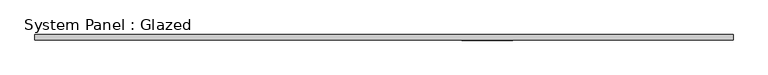
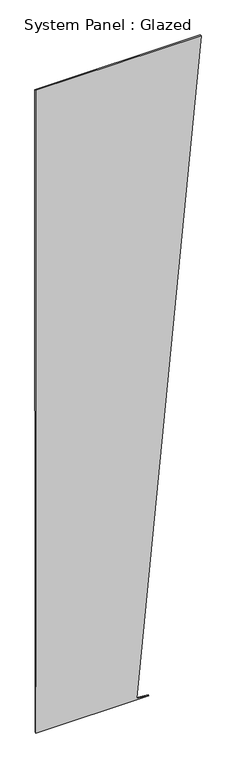
"""IFC4 building model written with IfcOpenShell, lengths in millimetres: plate geometry, System Panel : Glazed."""

from ifc_helpers import new_model, si_unit, frame, origin, place, context, project, spatial, polyline, outline, extrude, source, transform, mapped, element, save


def system_panel_glazed_10299d9f(model_context):
    return source(origin(), model_context, "Body", "SweptSolid", [
        extrude(outline(polyline([(0.0, -1704.4258093), (0.0, 629.7480047), (23.586083, 380.8630982), (14020.9216826, 1707.349001), (14019.7563537, -1707.349001), (0.0, -1704.4258093)])), frame((0.0, -77.5, 0.0), z_axis=(0.0, 1.0, 0.0), x_axis=(0.0, 0.0, 1.0)), (0.0, 0.0, 1.0), 25.0),
    ])


if __name__ == "__main__":
    model = new_model("IFC4")
    model_context = context("Model", 3, world=origin())
    ifc_project = project(units=[si_unit("LENGTHUNIT", "METRE", prefix="MILLI")], contexts=[model_context])
    site = spatial("IfcSite", under=ifc_project)
    building = spatial("IfcBuilding", under=site)
    placement = place(None, origin())
    system_panel_glazed_shape = system_panel_glazed_10299d9f(model_context)
    element("IfcPlate", 1, ObjectType="System Panel : Glazed", at=placement, inside=building, context=model_context, shape_type="MappedRepresentation", body=[
        mapped(system_panel_glazed_shape, transform((0.0, 0.0, 0.0), x_axis=(1.0, 0.0, 0.0), y_axis=(0.0, 1.0, 0.0), z_axis=(0.0, 0.0, 1.0))),
    ])
    save(model, "model.ifc")
